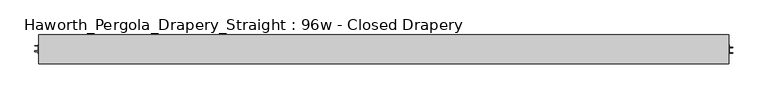
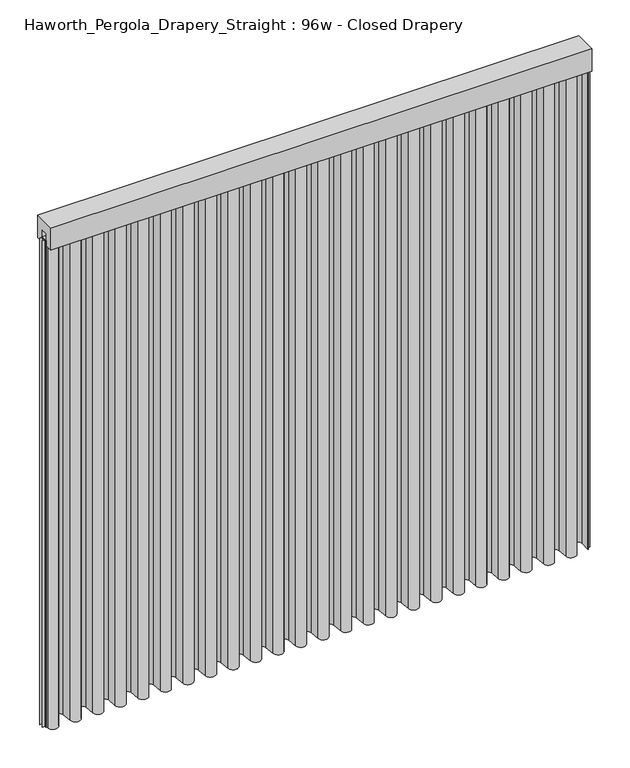
"""IFC4 building model written with IfcOpenShell, lengths in millimetres: furniture geometry, Haworth_Pergola_Drapery_Straight : 96w - Closed Drapery."""

import ifcopenshell
import ifcopenshell.guid

model = None  # the IFC model being written
_history = None  # IfcOwnerHistory: only IFC2X3 demands one
_inside = {}  # id of a spatial element -> (the spatial element, [elements in it])
_under = {}  # id of a project, library or spatial element -> (it, [spatial elements below it])
_declared = {}  # id of a project -> (the project, [libraries it declares])
_typed = {}  # id of a type object -> (the type object, [elements of that type])
_made_of = {}  # id of a material, layer set ... -> (it, [elements and type objects made of it])


def new_model(schema):
    """Start an empty IFC model of exactly this schema.

    Asked for "IFC4X3", IfcOpenShell would pick the latest addendum, in which some entities
    have other attributes; the version numbers below select the first issue.
    IFC2X3 requires an IfcOwnerHistory on every rooted entity: one is made here for all.
    """
    global model, _history
    if schema == "IFC4X3":
        model = ifcopenshell.file(schema_version=(4, 3, 0, 0))
    else:
        model = ifcopenshell.file(schema=schema)
    _inside.clear()
    _under.clear()
    _declared.clear()
    _typed.clear()
    _made_of.clear()
    _history = None
    if model.schema == "IFC2X3":
        org = make("IfcOrganization", Name="unknown")
        user = make(
            "IfcPersonAndOrganization",
            ThePerson=make("IfcPerson", FamilyName="unknown"),
            TheOrganization=org,
        )
        app = make(
            "IfcApplication",
            ApplicationDeveloper=org,
            Version="unknown",
            ApplicationFullName="unknown",
            ApplicationIdentifier="unknown",
        )
        _history = make(
            "IfcOwnerHistory",
            OwningUser=user,
            OwningApplication=app,
            ChangeAction="ADDED",
            CreationDate=0,
        )
    return model


def make(cls, **values):
    """One entity of the class cls with the attributes given. An attribute that is None is left unset."""
    return model.create_entity(
        cls, **{name: value for name, value in values.items() if value is not None}
    )


def rooted(cls, **values):
    """An entity with a GlobalId (a new one), such as an element, a storey or a relation."""
    return make(cls, GlobalId=ifcopenshell.guid.new(), OwnerHistory=_history, **values)


def si_unit(unit_type, name, prefix=None):
    """IfcSIUnit, for example si_unit("LENGTHUNIT", "METRE", prefix="MILLI")."""
    return make("IfcSIUnit", UnitType=unit_type, Prefix=prefix, Name=name)


def assignment(units):
    """IfcUnitAssignment: the units of a project."""
    return None if units is None else make("IfcUnitAssignment", Units=units)


def point(xyz):
    """IfcCartesianPoint."""
    return None if xyz is None else make("IfcCartesianPoint", Coordinates=xyz)


def direction(xyz):
    """IfcDirection."""
    return None if xyz is None else make("IfcDirection", DirectionRatios=xyz)


def frame(location, z_axis=None, x_axis=None):
    """IfcAxis2Placement3D, a coordinate frame: its origin and axes. An axis left out is left unset."""
    return make(
        "IfcAxis2Placement3D",
        Location=point(location),
        Axis=direction(z_axis),
        RefDirection=direction(x_axis),
    )


def frame_2d(location, x_axis=None):
    """IfcAxis2Placement2D, a coordinate frame in the plane: its origin and x axis."""
    return make(
        "IfcAxis2Placement2D", Location=point(location), RefDirection=direction(x_axis)
    )


def origin():
    """The frame at (0, 0, 0) with its axes left unset."""
    return frame((0.0, 0.0, 0.0))


def place(relative_to, where):
    """IfcLocalPlacement: puts the frame where relative to a parent placement (None: the world)."""
    return make(
        "IfcLocalPlacement", PlacementRelTo=relative_to, RelativePlacement=where
    )


def context(
    kind, dimensions, precision=None, world=None, true_north=None, identifier=None
):
    """IfcGeometricRepresentationContext, for example the 3D "Model" context."""
    return make(
        "IfcGeometricRepresentationContext",
        ContextIdentifier=identifier,
        ContextType=kind,
        CoordinateSpaceDimension=dimensions,
        Precision=precision,
        WorldCoordinateSystem=world,
        TrueNorth=true_north,
    )


def project(units=None, contexts=None):
    """IfcProject with its units and contexts."""
    return rooted(
        "IfcProject",
        Name="project",
        RepresentationContexts=contexts,
        UnitsInContext=assignment(units),
    )


def spatial(cls, under=None, at=None, **own):
    """A site, building, storey or space (cls), placed at a placement, below another one or the project."""
    s = rooted(cls, ObjectPlacement=at, **own)
    if under is not None:
        _under.setdefault(under.id(), (under, []))[1].append(s)
    return s


def polyline(points):
    """IfcPolyline through the points."""
    return make("IfcPolyline", Points=[point(p) for p in points])


def circle_curve(where, radius):
    """IfcCircle in the frame where."""
    return make("IfcCircle", Position=where, Radius=radius)


def trimmed(basis, trim1, trim2, sense, master):
    """IfcTrimmedCurve: the piece of a basis curve between two trims."""
    return make(
        "IfcTrimmedCurve",
        BasisCurve=basis,
        Trim1=trim1,
        Trim2=trim2,
        SenseAgreement=sense,
        MasterRepresentation=master,
    )


def segment(curve, same_sense, transition):
    """IfcCompositeCurveSegment."""
    return make(
        "IfcCompositeCurveSegment",
        Transition=transition,
        SameSense=same_sense,
        ParentCurve=curve,
    )


def composite_curve(segments, self_intersect=None):
    """IfcCompositeCurve: segments joined end to end."""
    return make("IfcCompositeCurve", Segments=segments, SelfIntersect=self_intersect)


def outline(outer, holes=None, kind="AREA"):
    """IfcArbitraryClosedProfileDef: a profile drawn as a closed curve; with holes, ...WithVoids."""
    if holes is None:
        return make("IfcArbitraryClosedProfileDef", ProfileType=kind, OuterCurve=outer)
    return make(
        "IfcArbitraryProfileDefWithVoids",
        ProfileType=kind,
        OuterCurve=outer,
        InnerCurves=holes,
    )


def extrude(swept, where, along, depth):
    """IfcExtrudedAreaSolid: the profile swept, set in the frame where, extruded along a direction by depth."""
    return make(
        "IfcExtrudedAreaSolid",
        SweptArea=swept,
        Position=where,
        ExtrudedDirection=direction(along),
        Depth=depth,
    )


def shape(context_of_items, identifier, shape_type, items):
    """IfcShapeRepresentation: the items that make up one representation, for example the "Body"."""
    return make(
        "IfcShapeRepresentation",
        ContextOfItems=context_of_items,
        RepresentationIdentifier=identifier,
        RepresentationType=shape_type,
        Items=items,
    )


def source(mapping_origin, context_of_items, identifier, shape_type, items):
    """IfcRepresentationMap: a shape defined once, which mapped items show again and again."""
    return make(
        "IfcRepresentationMap",
        MappingOrigin=mapping_origin,
        MappedRepresentation=shape(context_of_items, identifier, shape_type, items),
    )


def transform(
    local_origin,
    x_axis=None,
    y_axis=None,
    z_axis=None,
    scale=None,
    scale2=None,
    scale3=None,
    uniform=True,
):
    """IfcCartesianTransformationOperator3D, or its non-uniform kind. x_axis, y_axis, z_axis: its Axis1, 2, 3."""
    if uniform:
        return make(
            "IfcCartesianTransformationOperator3D",
            Axis1=direction(x_axis),
            Axis2=direction(y_axis),
            LocalOrigin=point(local_origin),
            Scale=scale,
            Axis3=direction(z_axis),
        )
    return make(
        "IfcCartesianTransformationOperator3DnonUniform",
        Axis1=direction(x_axis),
        Axis2=direction(y_axis),
        LocalOrigin=point(local_origin),
        Scale=scale,
        Axis3=direction(z_axis),
        Scale2=scale2,
        Scale3=scale3,
    )


def mapped(mapping_source, mapping_target):
    """IfcMappedItem: shows the shape of a source again, moved by a transform."""
    return make(
        "IfcMappedItem", MappingSource=mapping_source, MappingTarget=mapping_target
    )


def made_of(thing, what):
    """Note that an element or type object is made of a material, layer set ...; save() writes the relation."""
    if what is not None:
        _made_of.setdefault(what.id(), (what, []))[1].append(thing)
    return thing


def element(
    cls,
    number,
    at=None,
    inside=None,
    cuts=None,
    type_object=None,
    material=None,
    context=None,
    identifier="Body",
    shape_type=None,
    held_by="IfcProductDefinitionShape",
    body=None,
    shapes=None,
    **own,
):
    """One element of the class cls, such as IfcWall. Its Tag is "e" and its number.

    at: its placement. inside: the storey or other place that contains it. cuts: it is an
    opening in that element (IfcRelVoidsElement). A single representation is given by context,
    identifier, shape_type and body (its items); several are given by shapes. held_by: the class
    of the entity that holds the representations. save() writes the other relations.
    """
    e = rooted(cls, Tag="e%d" % number, ObjectPlacement=at, **own)
    if body is not None:
        shapes = [shape(context, identifier, shape_type, body)]
    if shapes is not None:
        e.Representation = make(held_by, Representations=shapes)
    if inside is not None:
        _inside.setdefault(inside.id(), (inside, []))[1].append(e)
    if cuts is not None:
        rooted(
            "IfcRelVoidsElement", RelatingBuildingElement=cuts, RelatedOpeningElement=e
        )
    if type_object is not None:
        _typed.setdefault(type_object.id(), (type_object, []))[1].append(e)
    return made_of(e, material)


def aggregate(whole, parts):
    """IfcRelAggregates: a whole, such as a stair, and the parts it consists of."""
    return rooted("IfcRelAggregates", RelatingObject=whole, RelatedObjects=parts)


def save(model, path):
    """Write the relations noted so far, then the file.

    IfcRelAggregates (storeys below a building ...), IfcRelContainedInSpatialStructure (elements
    in a storey), IfcRelDefinesByType, IfcRelAssociatesMaterial and IfcRelDeclares: one each for
    every whole, place, type object, material and project.
    """
    for whole, parts in _under.values():
        aggregate(whole, parts)
    for where, things in _inside.values():
        rooted(
            "IfcRelContainedInSpatialStructure",
            RelatedElements=things,
            RelatingStructure=where,
        )
    for kind, things in _typed.values():
        rooted("IfcRelDefinesByType", RelatedObjects=things, RelatingType=kind)
    for what, things in _made_of.values():
        rooted("IfcRelAssociatesMaterial", RelatedObjects=things, RelatingMaterial=what)
    for by, libraries in _declared.values():
        rooted("IfcRelDeclares", RelatingContext=by, RelatedDefinitions=libraries)
    model.write(path)


def haworth_pergola_drapery_straight_96w_closed_drapery_16b0ce58(model_context):
    return source(origin(), model_context, "Body", "SweptSolid", [
        extrude(outline(polyline([(-50.8, 2438.4), (50.8, 2438.4), (50.8, 2331.8390625), (15.2182948, 2331.8390625), (15.2182948, 2388.7001663), (-15.2182948, 2388.7001663), (-15.2182948, 2331.8390625), (-50.8, 2331.8390625), (-50.8, 2438.4)])), frame((-1790.7, 0.0, 0.0), z_axis=(1.0, 0.0, 0.0), x_axis=(0.0, 1.0, 0.0)), (0.0, 0.0, 1.0), 2438.4),
        extrude(outline(composite_curve([segment(polyline([(-1788.7, -20.9840165), (-1788.7, 25.4000008), (-1787.90625, 25.4000008), (-1787.90625, -20.9840165)]), True, "CONTINUOUS"), segment(trimmed(circle_curve(frame_2d((-1765.2970217, -20.9840165)), 22.6092283), [point((-1787.90625, -20.9840165))], [point((-1742.779759, -23.0211916))], True, "CARTESIAN"), True, "CONTINUOUS"), segment(polyline([(-1742.779759, -23.0211916), (-1738.5801015, 23.3983779)]), True, "CONTINUOUS"), segment(trimmed(circle_curve(frame_2d((-1714.5, 21.2198101)), 24.17845), [point((-1738.5801015, 23.3983779))], [point((-1690.4198983, 23.3983756))], False, "CARTESIAN"), True, "CONTINUOUS"), segment(polyline([(-1690.4198983, 23.3983756), (-1686.2298605, -22.9149155)]), True, "CONTINUOUS"), segment(trimmed(circle_curve(frame_2d((-1663.7000023, -20.876603)), 22.621875), [point((-1686.2298605, -22.9149155))], [point((-1641.1701443, -22.9149177))], True, "CARTESIAN"), True, "CONTINUOUS"), segment(polyline([(-1641.1701443, -22.9149177), (-1637.0109007, 23.0579488)]), True, "CONTINUOUS"), segment(trimmed(circle_curve(frame_2d((-1612.9, 20.8765946)), 24.209375), [point((-1637.0109007, 23.0579488))], [point((-1588.7890991, 23.0579465))], False, "CARTESIAN"), True, "CONTINUOUS"), segment(polyline([(-1588.7890991, 23.0579465), (-1584.6298605, -22.9149157)]), True, "CONTINUOUS"), segment(trimmed(circle_curve(frame_2d((-1562.1000023, -20.8766032)), 22.621875), [point((-1584.6298605, -22.9149157))], [point((-1539.5701443, -22.9149178))], True, "CARTESIAN"), True, "CONTINUOUS"), segment(polyline([(-1539.5701443, -22.9149178), (-1535.4109007, 23.0579492)]), True, "CONTINUOUS"), segment(trimmed(circle_curve(frame_2d((-1511.3, 20.876595)), 24.209375), [point((-1535.4109007, 23.0579492))], [point((-1487.1890991, 23.0579469))], False, "CARTESIAN"), True, "CONTINUOUS"), segment(polyline([(-1487.1890991, 23.0579469), (-1483.0298605, -22.9149155)]), True, "CONTINUOUS"), segment(trimmed(circle_curve(frame_2d((-1460.5000023, -20.876603)), 22.621875), [point((-1483.0298605, -22.9149155))], [point((-1437.9701443, -22.9149177))], True, "CARTESIAN"), True, "CONTINUOUS"), segment(polyline([(-1437.9701443, -22.9149177), (-1433.7801015, 23.3983779)]), True, "CONTINUOUS"), segment(trimmed(circle_curve(frame_2d((-1409.7, 21.2198101)), 24.17845), [point((-1433.7801015, 23.3983779))], [point((-1385.6198983, 23.3983756))], False, "CARTESIAN"), True, "CONTINUOUS"), segment(polyline([(-1385.6198983, 23.3983756), (-1381.4298605, -22.9149155)]), True, "CONTINUOUS"), segment(trimmed(circle_curve(frame_2d((-1358.9000023, -20.876603)), 22.621875), [point((-1381.4298605, -22.9149155))], [point((-1336.3701443, -22.9149177))], True, "CARTESIAN"), True, "CONTINUOUS"), segment(polyline([(-1336.3701443, -22.9149177), (-1332.1801015, 23.3983779)]), True, "CONTINUOUS"), segment(trimmed(circle_curve(frame_2d((-1308.1, 21.2198101)), 24.17845), [point((-1332.1801015, 23.3983779))], [point((-1284.0198983, 23.3983756))], False, "CARTESIAN"), True, "CONTINUOUS"), segment(polyline([(-1284.0198983, 23.3983756), (-1279.8298605, -22.9149155)]), True, "CONTINUOUS"), segment(trimmed(circle_curve(frame_2d((-1257.3000023, -20.876603)), 22.621875), [point((-1279.8298605, -22.9149155))], [point((-1234.7701443, -22.9149177))], True, "CARTESIAN"), True, "CONTINUOUS"), segment(polyline([(-1234.7701443, -22.9149177), (-1230.5801015, 23.3983779)]), True, "CONTINUOUS"), segment(trimmed(circle_curve(frame_2d((-1206.5, 21.2198101)), 24.17845), [point((-1230.5801015, 23.3983779))], [point((-1182.4198983, 23.3983756))], False, "CARTESIAN"), True, "CONTINUOUS"), segment(polyline([(-1182.4198983, 23.3983756), (-1178.2298605, -22.9149155)]), True, "CONTINUOUS"), segment(trimmed(circle_curve(frame_2d((-1155.7000023, -20.876603)), 22.621875), [point((-1178.2298605, -22.9149155))], [point((-1133.1701443, -22.9149177))], True, "CARTESIAN"), True, "CONTINUOUS"), segment(polyline([(-1133.1701443, -22.9149177), (-1128.9801015, 23.3983779)]), True, "CONTINUOUS"), segment(trimmed(circle_curve(frame_2d((-1104.9, 21.2198101)), 24.17845), [point((-1128.9801015, 23.3983779))], [point((-1080.8198983, 23.3983756))], False, "CARTESIAN"), True, "CONTINUOUS"), segment(polyline([(-1080.8198983, 23.3983756), (-1076.6298605, -22.9149155)]), True, "CONTINUOUS"), segment(trimmed(circle_curve(frame_2d((-1054.1000023, -20.876603)), 22.621875), [point((-1076.6298605, -22.9149155))], [point((-1031.5701443, -22.9149177))], True, "CARTESIAN"), True, "CONTINUOUS"), segment(polyline([(-1031.5701443, -22.9149177), (-1027.3801015, 23.3983779)]), True, "CONTINUOUS"), segment(trimmed(circle_curve(frame_2d((-1003.3, 21.2198101)), 24.17845), [point((-1027.3801015, 23.3983779))], [point((-979.2198983, 23.3983756))], False, "CARTESIAN"), True, "CONTINUOUS"), segment(polyline([(-979.2198983, 23.3983756), (-975.0298605, -22.9149155)]), True, "CONTINUOUS"), segment(trimmed(circle_curve(frame_2d((-952.5000023, -20.876603)), 22.621875), [point((-975.0298605, -22.9149155))], [point((-929.9701443, -22.9149177))], True, "CARTESIAN"), True, "CONTINUOUS"), segment(polyline([(-929.9701443, -22.9149177), (-925.7801015, 23.3983779)]), True, "CONTINUOUS"), segment(trimmed(circle_curve(frame_2d((-901.7, 21.2198101)), 24.17845), [point((-925.7801015, 23.3983779))], [point((-877.6198983, 23.3983756))], False, "CARTESIAN"), True, "CONTINUOUS"), segment(polyline([(-877.6198983, 23.3983756), (-873.4298605, -22.9149155)]), True, "CONTINUOUS"), segment(trimmed(circle_curve(frame_2d((-850.9000023, -20.876603)), 22.621875), [point((-873.4298605, -22.9149155))], [point((-828.3701443, -22.9149177))], True, "CARTESIAN"), True, "CONTINUOUS"), segment(polyline([(-828.3701443, -22.9149177), (-824.1801015, 23.3983779)]), True, "CONTINUOUS"), segment(trimmed(circle_curve(frame_2d((-800.1, 21.2198101)), 24.17845), [point((-824.1801015, 23.3983779))], [point((-776.0198983, 23.3983756))], False, "CARTESIAN"), True, "CONTINUOUS"), segment(polyline([(-776.0198983, 23.3983756), (-771.8298605, -22.9149155)]), True, "CONTINUOUS"), segment(trimmed(circle_curve(frame_2d((-749.3000023, -20.876603)), 22.621875), [point((-771.8298605, -22.9149155))], [point((-726.7701443, -22.9149177))], True, "CARTESIAN"), True, "CONTINUOUS"), segment(polyline([(-726.7701443, -22.9149177), (-722.5801015, 23.3983779)]), True, "CONTINUOUS"), segment(trimmed(circle_curve(frame_2d((-698.5, 21.2198101)), 24.17845), [point((-722.5801015, 23.3983779))], [point((-674.4198983, 23.3983756))], False, "CARTESIAN"), True, "CONTINUOUS"), segment(polyline([(-674.4198983, 23.3983756), (-670.2298605, -22.9149155)]), True, "CONTINUOUS"), segment(trimmed(circle_curve(frame_2d((-647.7000023, -20.876603)), 22.621875), [point((-670.2298605, -22.9149155))], [point((-625.1701443, -22.9149177))], True, "CARTESIAN"), True, "CONTINUOUS"), segment(polyline([(-625.1701443, -22.9149177), (-620.9801015, 23.3983779)]), True, "CONTINUOUS"), segment(trimmed(circle_curve(frame_2d((-596.9, 21.2198101)), 24.17845), [point((-620.9801015, 23.3983779))], [point((-572.8198983, 23.3983756))], False, "CARTESIAN"), True, "CONTINUOUS"), segment(polyline([(-572.8198983, 23.3983756), (-568.6298605, -22.9149155)]), True, "CONTINUOUS"), segment(trimmed(circle_curve(frame_2d((-546.1000023, -20.876603)), 22.621875), [point((-568.6298605, -22.9149155))], [point((-523.5701443, -22.9149177))], True, "CARTESIAN"), True, "CONTINUOUS"), segment(polyline([(-523.5701443, -22.9149177), (-519.3801015, 23.3983779)]), True, "CONTINUOUS"), segment(trimmed(circle_curve(frame_2d((-495.3, 21.2198101)), 24.17845), [point((-519.3801015, 23.3983779))], [point((-471.2198983, 23.3983756))], False, "CARTESIAN"), True, "CONTINUOUS"), segment(polyline([(-471.2198983, 23.3983756), (-467.0298605, -22.9149155)]), True, "CONTINUOUS"), segment(trimmed(circle_curve(frame_2d((-444.5000023, -20.876603)), 22.621875), [point((-467.0298605, -22.9149155))], [point((-421.9701443, -22.9149177))], True, "CARTESIAN"), True, "CONTINUOUS"), segment(polyline([(-421.9701443, -22.9149177), (-417.7801015, 23.3983779)]), True, "CONTINUOUS"), segment(trimmed(circle_curve(frame_2d((-393.7, 21.2198101)), 24.17845), [point((-417.7801015, 23.3983779))], [point((-369.6198983, 23.3983756))], False, "CARTESIAN"), True, "CONTINUOUS"), segment(polyline([(-369.6198983, 23.3983756), (-365.4298605, -22.9149155)]), True, "CONTINUOUS"), segment(trimmed(circle_curve(frame_2d((-342.9000023, -20.876603)), 22.621875), [point((-365.4298605, -22.9149155))], [point((-320.3701443, -22.9149177))], True, "CARTESIAN"), True, "CONTINUOUS"), segment(polyline([(-320.3701443, -22.9149177), (-316.2109202, 23.0577332)]), True, "CONTINUOUS"), segment(trimmed(circle_curve(frame_2d((-292.1000195, 20.8763789)), 24.209375), [point((-316.2109202, 23.0577332))], [point((-267.9891225, 23.057773))], False, "CARTESIAN"), True, "CONTINUOUS"), segment(polyline([(-267.9891225, 23.057773), (-263.8298359, -22.9147223)]), True, "CONTINUOUS"), segment(trimmed(circle_curve(frame_2d((-241.2999812, -20.8763704)), 22.621875), [point((-263.8298359, -22.9147223))], [point((-218.7701232, -22.9146851))], True, "CARTESIAN"), True, "CONTINUOUS"), segment(polyline([(-218.7701232, -22.9146851), (-214.6109202, 23.0577332)]), True, "CONTINUOUS"), segment(trimmed(circle_curve(frame_2d((-190.5000195, 20.8763789)), 24.209375), [point((-214.6109202, 23.0577332))], [point((-166.3891225, 23.057773))], False, "CARTESIAN"), True, "CONTINUOUS"), segment(polyline([(-166.3891225, 23.057773), (-162.2298359, -22.9147223)]), True, "CONTINUOUS"), segment(trimmed(circle_curve(frame_2d((-139.6999812, -20.8763704)), 22.621875), [point((-162.2298359, -22.9147223))], [point((-117.1701232, -22.9146851))], True, "CARTESIAN"), True, "CONTINUOUS"), segment(polyline([(-117.1701232, -22.9146851), (-113.0109202, 23.0577332)]), True, "CONTINUOUS"), segment(trimmed(circle_curve(frame_2d((-88.9000195, 20.8763789)), 24.209375), [point((-113.0109202, 23.0577332))], [point((-64.7891225, 23.057773))], False, "CARTESIAN"), True, "CONTINUOUS"), segment(polyline([(-64.7891225, 23.057773), (-60.6298359, -22.9147223)]), True, "CONTINUOUS"), segment(trimmed(circle_curve(frame_2d((-38.0999812, -20.8763704)), 22.621875), [point((-60.6298359, -22.9147223))], [point((-15.5701232, -22.9146851))], True, "CARTESIAN"), True, "CONTINUOUS"), segment(polyline([(-15.5701232, -22.9146851), (-11.4109202, 23.0577332)]), True, "CONTINUOUS"), segment(trimmed(circle_curve(frame_2d((12.6999805, 20.8763789)), 24.209375), [point((-11.4109202, 23.0577332))], [point((36.8108775, 23.057773))], False, "CARTESIAN"), True, "CONTINUOUS"), segment(polyline([(36.8108775, 23.057773), (40.9701641, -22.9147223)]), True, "CONTINUOUS"), segment(trimmed(circle_curve(frame_2d((63.5000188, -20.8763704)), 22.621875), [point((40.9701641, -22.9147223))], [point((86.0298768, -22.9146851))], True, "CARTESIAN"), True, "CONTINUOUS"), segment(polyline([(86.0298768, -22.9146851), (90.1890798, 23.0577332)]), True, "CONTINUOUS"), segment(trimmed(circle_curve(frame_2d((114.2999805, 20.8763789)), 24.209375), [point((90.1890798, 23.0577332))], [point((138.4108775, 23.057773))], False, "CARTESIAN"), True, "CONTINUOUS"), segment(polyline([(138.4108775, 23.057773), (142.5701641, -22.9147223)]), True, "CONTINUOUS"), segment(trimmed(circle_curve(frame_2d((165.1000188, -20.8763704)), 22.621875), [point((142.5701641, -22.9147223))], [point((187.6298768, -22.9146851))], True, "CARTESIAN"), True, "CONTINUOUS"), segment(polyline([(187.6298768, -22.9146851), (191.7890798, 23.0577332)]), True, "CONTINUOUS"), segment(trimmed(circle_curve(frame_2d((215.8999805, 20.8763789)), 24.209375), [point((191.7890798, 23.0577332))], [point((240.0108775, 23.057773))], False, "CARTESIAN"), True, "CONTINUOUS"), segment(polyline([(240.0108775, 23.057773), (244.1701641, -22.9147223)]), True, "CONTINUOUS"), segment(trimmed(circle_curve(frame_2d((266.7000188, -20.8763704)), 22.621875), [point((244.1701641, -22.9147223))], [point((289.2298768, -22.9146851))], True, "CARTESIAN"), True, "CONTINUOUS"), segment(polyline([(289.2298768, -22.9146851), (293.3890798, 23.0577332)]), True, "CONTINUOUS"), segment(trimmed(circle_curve(frame_2d((317.4999805, 20.8763789)), 24.209375), [point((293.3890798, 23.0577332))], [point((341.6108775, 23.057773))], False, "CARTESIAN"), True, "CONTINUOUS"), segment(polyline([(341.6108775, 23.057773), (345.7701641, -22.9147223)]), True, "CONTINUOUS"), segment(trimmed(circle_curve(frame_2d((368.3000188, -20.8763704)), 22.621875), [point((345.7701641, -22.9147223))], [point((390.8298768, -22.9146851))], True, "CARTESIAN"), True, "CONTINUOUS"), segment(polyline([(390.8298768, -22.9146851), (394.9890798, 23.0577332)]), True, "CONTINUOUS"), segment(trimmed(circle_curve(frame_2d((419.0999805, 20.8763789)), 24.209375), [point((394.9890798, 23.0577332))], [point((443.2108775, 23.057773))], False, "CARTESIAN"), True, "CONTINUOUS"), segment(polyline([(443.2108775, 23.057773), (447.3701641, -22.9147223)]), True, "CONTINUOUS"), segment(trimmed(circle_curve(frame_2d((469.9000188, -20.8763704)), 22.621875), [point((447.3701641, -22.9147223))], [point((492.4298768, -22.9146851))], True, "CARTESIAN"), True, "CONTINUOUS"), segment(polyline([(492.4298768, -22.9146851), (496.5890798, 23.0577332)]), True, "CONTINUOUS"), segment(trimmed(circle_curve(frame_2d((520.6999805, 20.8763789)), 24.209375), [point((496.5890798, 23.0577332))], [point((544.8108775, 23.057773))], False, "CARTESIAN"), True, "CONTINUOUS"), segment(polyline([(544.8108775, 23.057773), (548.9701693, -22.9147795)]), True, "CONTINUOUS"), segment(trimmed(circle_curve(frame_2d((571.500024, -20.8764276)), 22.621875), [point((548.9701693, -22.9147795))], [point((594.0298849, -22.9147094))], True, "CARTESIAN"), True, "CONTINUOUS"), segment(polyline([(594.0298849, -22.9147094), (598.2093899, 23.2828614)]), True, "CONTINUOUS"), segment(trimmed(circle_curve(frame_2d((622.2548575, 21.1074623)), 24.1436715), [point((598.2093899, 23.2828614))], [point((646.3985291, 21.1074623))], False, "CARTESIAN"), True, "CONTINUOUS"), segment(polyline([(646.3985291, 21.1074623), (646.3985291, -25.4000007), (645.6047791, -25.4000007), (645.6047791, 21.1074623)]), True, "CONTINUOUS"), segment(trimmed(circle_curve(frame_2d((622.2548575, 21.1074623)), 23.3499215), [point((645.6047791, 21.1074623))], [point((598.9999113, 23.2113427))], True, "CARTESIAN"), True, "CONTINUOUS"), segment(polyline([(598.9999113, 23.2113427), (594.8204064, -22.986228)]), True, "CONTINUOUS"), segment(trimmed(circle_curve(frame_2d((571.500024, -20.8764276)), 23.415625), [point((594.8204064, -22.986228))], [point((548.1796481, -22.9863006))], False, "CARTESIAN"), True, "CONTINUOUS"), segment(polyline([(548.1796481, -22.9863006), (544.0203563, 22.9862519)]), True, "CONTINUOUS"), segment(trimmed(circle_curve(frame_2d((520.6999805, 20.8763789)), 23.415625), [point((544.0203563, 22.9862519))], [point((497.3796011, 22.9862134))], True, "CARTESIAN"), True, "CONTINUOUS"), segment(polyline([(497.3796011, 22.9862134), (493.2203981, -22.9862049)]), True, "CONTINUOUS"), segment(trimmed(circle_curve(frame_2d((469.9000188, -20.8763704)), 23.415625), [point((493.2203981, -22.9862049))], [point((446.5796429, -22.9862435))], False, "CARTESIAN"), True, "CONTINUOUS"), segment(polyline([(446.5796429, -22.9862435), (442.4203563, 22.9862519)]), True, "CONTINUOUS"), segment(trimmed(circle_curve(frame_2d((419.0999805, 20.8763789)), 23.415625), [point((442.4203563, 22.9862519))], [point((395.7796011, 22.9862134))], True, "CARTESIAN"), True, "CONTINUOUS"), segment(polyline([(395.7796011, 22.9862134), (391.6203981, -22.9862049)]), True, "CONTINUOUS"), segment(trimmed(circle_curve(frame_2d((368.3000188, -20.8763704)), 23.415625), [point((391.6203981, -22.9862049))], [point((344.9796429, -22.9862435))], False, "CARTESIAN"), True, "CONTINUOUS"), segment(polyline([(344.9796429, -22.9862435), (340.8203563, 22.9862519)]), True, "CONTINUOUS"), segment(trimmed(circle_curve(frame_2d((317.4999805, 20.8763789)), 23.415625), [point((340.8203563, 22.9862519))], [point((294.1796011, 22.9862134))], True, "CARTESIAN"), True, "CONTINUOUS"), segment(polyline([(294.1796011, 22.9862134), (290.0203981, -22.9862049)]), True, "CONTINUOUS"), segment(trimmed(circle_curve(frame_2d((266.7000188, -20.8763704)), 23.415625), [point((290.0203981, -22.9862049))], [point((243.3796429, -22.9862435))], False, "CARTESIAN"), True, "CONTINUOUS"), segment(polyline([(243.3796429, -22.9862435), (239.2203563, 22.9862519)]), True, "CONTINUOUS"), segment(trimmed(circle_curve(frame_2d((215.8999805, 20.8763789)), 23.415625), [point((239.2203563, 22.9862519))], [point((192.5796011, 22.9862134))], True, "CARTESIAN"), True, "CONTINUOUS"), segment(polyline([(192.5796011, 22.9862134), (188.4203981, -22.9862049)]), True, "CONTINUOUS"), segment(trimmed(circle_curve(frame_2d((165.1000188, -20.8763704)), 23.415625), [point((188.4203981, -22.9862049))], [point((141.7796429, -22.9862435))], False, "CARTESIAN"), True, "CONTINUOUS"), segment(polyline([(141.7796429, -22.9862435), (137.6203563, 22.9862519)]), True, "CONTINUOUS"), segment(trimmed(circle_curve(frame_2d((114.2999805, 20.8763789)), 23.415625), [point((137.6203563, 22.9862519))], [point((90.9796011, 22.9862134))], True, "CARTESIAN"), True, "CONTINUOUS"), segment(polyline([(90.9796011, 22.9862134), (86.8203981, -22.9862049)]), True, "CONTINUOUS"), segment(trimmed(circle_curve(frame_2d((63.5000188, -20.8763704)), 23.415625), [point((86.8203981, -22.9862049))], [point((40.1796429, -22.9862435))], False, "CARTESIAN"), True, "CONTINUOUS"), segment(polyline([(40.1796429, -22.9862435), (36.0203563, 22.9862519)]), True, "CONTINUOUS"), segment(trimmed(circle_curve(frame_2d((12.6999805, 20.8763789)), 23.415625), [point((36.0203563, 22.9862519))], [point((-10.6203989, 22.9862134))], True, "CARTESIAN"), True, "CONTINUOUS"), segment(polyline([(-10.6203989, 22.9862134), (-14.7796019, -22.9862049)]), True, "CONTINUOUS"), segment(trimmed(circle_curve(frame_2d((-38.0999812, -20.8763704)), 23.415625), [point((-14.7796019, -22.9862049))], [point((-61.4203571, -22.9862435))], False, "CARTESIAN"), True, "CONTINUOUS"), segment(polyline([(-61.4203571, -22.9862435), (-65.5796437, 22.9862519)]), True, "CONTINUOUS"), segment(trimmed(circle_curve(frame_2d((-88.9000195, 20.8763789)), 23.415625), [point((-65.5796437, 22.9862519))], [point((-112.2203989, 22.9862134))], True, "CARTESIAN"), True, "CONTINUOUS"), segment(polyline([(-112.2203989, 22.9862134), (-116.3796019, -22.9862049)]), True, "CONTINUOUS"), segment(trimmed(circle_curve(frame_2d((-139.6999812, -20.8763704)), 23.415625), [point((-116.3796019, -22.9862049))], [point((-163.0203571, -22.9862435))], False, "CARTESIAN"), True, "CONTINUOUS"), segment(polyline([(-163.0203571, -22.9862435), (-167.1796437, 22.9862519)]), True, "CONTINUOUS"), segment(trimmed(circle_curve(frame_2d((-190.5000195, 20.8763789)), 23.415625), [point((-167.1796437, 22.9862519))], [point((-213.8203989, 22.9862134))], True, "CARTESIAN"), True, "CONTINUOUS"), segment(polyline([(-213.8203989, 22.9862134), (-217.9796019, -22.9862049)]), True, "CONTINUOUS"), segment(trimmed(circle_curve(frame_2d((-241.2999812, -20.8763704)), 23.415625), [point((-217.9796019, -22.9862049))], [point((-264.6203571, -22.9862435))], False, "CARTESIAN"), True, "CONTINUOUS"), segment(polyline([(-264.6203571, -22.9862435), (-268.7796437, 22.9862519)]), True, "CONTINUOUS"), segment(trimmed(circle_curve(frame_2d((-292.1000195, 20.8763789)), 23.415625), [point((-268.7796437, 22.9862519))], [point((-315.4203989, 22.9862134))], True, "CARTESIAN"), True, "CONTINUOUS"), segment(polyline([(-315.4203989, 22.9862134), (-319.5796229, -22.9864375)]), True, "CONTINUOUS"), segment(trimmed(circle_curve(frame_2d((-342.9000023, -20.876603)), 23.415625), [point((-319.5796229, -22.9864375))], [point((-366.2203818, -22.9864352))], False, "CARTESIAN"), True, "CONTINUOUS"), segment(polyline([(-366.2203818, -22.9864352), (-370.4104196, 23.3268558)]), True, "CONTINUOUS"), segment(trimmed(circle_curve(frame_2d((-393.7, 21.2198101)), 23.3847), [point((-370.4104196, 23.3268558))], [point((-416.9895802, 23.3268581))], True, "CARTESIAN"), True, "CONTINUOUS"), segment(polyline([(-416.9895802, 23.3268581), (-421.1796229, -22.9864375)]), True, "CONTINUOUS"), segment(trimmed(circle_curve(frame_2d((-444.5000023, -20.876603)), 23.415625), [point((-421.1796229, -22.9864375))], [point((-467.8203818, -22.9864352))], False, "CARTESIAN"), True, "CONTINUOUS"), segment(polyline([(-467.8203818, -22.9864352), (-472.0104196, 23.3268558)]), True, "CONTINUOUS"), segment(trimmed(circle_curve(frame_2d((-495.3, 21.2198101)), 23.3847), [point((-472.0104196, 23.3268558))], [point((-518.5895802, 23.3268581))], True, "CARTESIAN"), True, "CONTINUOUS"), segment(polyline([(-518.5895802, 23.3268581), (-522.7796229, -22.9864375)]), True, "CONTINUOUS"), segment(trimmed(circle_curve(frame_2d((-546.1000023, -20.876603)), 23.415625), [point((-522.7796229, -22.9864375))], [point((-569.4203818, -22.9864352))], False, "CARTESIAN"), True, "CONTINUOUS"), segment(polyline([(-569.4203818, -22.9864352), (-573.6104196, 23.3268558)]), True, "CONTINUOUS"), segment(trimmed(circle_curve(frame_2d((-596.9, 21.2198101)), 23.3847), [point((-573.6104196, 23.3268558))], [point((-620.1895802, 23.3268581))], True, "CARTESIAN"), True, "CONTINUOUS"), segment(polyline([(-620.1895802, 23.3268581), (-624.3796229, -22.9864375)]), True, "CONTINUOUS"), segment(trimmed(circle_curve(frame_2d((-647.7000023, -20.876603)), 23.415625), [point((-624.3796229, -22.9864375))], [point((-671.0203818, -22.9864352))], False, "CARTESIAN"), True, "CONTINUOUS"), segment(polyline([(-671.0203818, -22.9864352), (-675.2104196, 23.3268558)]), True, "CONTINUOUS"), segment(trimmed(circle_curve(frame_2d((-698.5, 21.2198101)), 23.3847), [point((-675.2104196, 23.3268558))], [point((-721.7895802, 23.3268581))], True, "CARTESIAN"), True, "CONTINUOUS"), segment(polyline([(-721.7895802, 23.3268581), (-725.9796229, -22.9864375)]), True, "CONTINUOUS"), segment(trimmed(circle_curve(frame_2d((-749.3000023, -20.876603)), 23.415625), [point((-725.9796229, -22.9864375))], [point((-772.6203818, -22.9864352))], False, "CARTESIAN"), True, "CONTINUOUS"), segment(polyline([(-772.6203818, -22.9864352), (-776.8104196, 23.3268558)]), True, "CONTINUOUS"), segment(trimmed(circle_curve(frame_2d((-800.1, 21.2198101)), 23.3847), [point((-776.8104196, 23.3268558))], [point((-823.3895802, 23.3268581))], True, "CARTESIAN"), True, "CONTINUOUS"), segment(polyline([(-823.3895802, 23.3268581), (-827.5796229, -22.9864375)]), True, "CONTINUOUS"), segment(trimmed(circle_curve(frame_2d((-850.9000023, -20.876603)), 23.415625), [point((-827.5796229, -22.9864375))], [point((-874.2203818, -22.9864352))], False, "CARTESIAN"), True, "CONTINUOUS"), segment(polyline([(-874.2203818, -22.9864352), (-878.4104196, 23.3268558)]), True, "CONTINUOUS"), segment(trimmed(circle_curve(frame_2d((-901.7, 21.2198101)), 23.3847), [point((-878.4104196, 23.3268558))], [point((-924.9895802, 23.3268581))], True, "CARTESIAN"), True, "CONTINUOUS"), segment(polyline([(-924.9895802, 23.3268581), (-929.1796229, -22.9864375)]), True, "CONTINUOUS"), segment(trimmed(circle_curve(frame_2d((-952.5000023, -20.876603)), 23.415625), [point((-929.1796229, -22.9864375))], [point((-975.8203818, -22.9864352))], False, "CARTESIAN"), True, "CONTINUOUS"), segment(polyline([(-975.8203818, -22.9864352), (-980.0104196, 23.3268558)]), True, "CONTINUOUS"), segment(trimmed(circle_curve(frame_2d((-1003.3, 21.2198101)), 23.3847), [point((-980.0104196, 23.3268558))], [point((-1026.5895802, 23.3268581))], True, "CARTESIAN"), True, "CONTINUOUS"), segment(polyline([(-1026.5895802, 23.3268581), (-1030.7796229, -22.9864375)]), True, "CONTINUOUS"), segment(trimmed(circle_curve(frame_2d((-1054.1000023, -20.876603)), 23.415625), [point((-1030.7796229, -22.9864375))], [point((-1077.4203818, -22.9864352))], False, "CARTESIAN"), True, "CONTINUOUS"), segment(polyline([(-1077.4203818, -22.9864352), (-1081.6104196, 23.3268558)]), True, "CONTINUOUS"), segment(trimmed(circle_curve(frame_2d((-1104.9, 21.2198101)), 23.3847), [point((-1081.6104196, 23.3268558))], [point((-1128.1895802, 23.3268581))], True, "CARTESIAN"), True, "CONTINUOUS"), segment(polyline([(-1128.1895802, 23.3268581), (-1132.3796229, -22.9864375)]), True, "CONTINUOUS"), segment(trimmed(circle_curve(frame_2d((-1155.7000023, -20.876603)), 23.415625), [point((-1132.3796229, -22.9864375))], [point((-1179.0203818, -22.9864352))], False, "CARTESIAN"), True, "CONTINUOUS"), segment(polyline([(-1179.0203818, -22.9864352), (-1183.2104196, 23.3268558)]), True, "CONTINUOUS"), segment(trimmed(circle_curve(frame_2d((-1206.5, 21.2198101)), 23.3847), [point((-1183.2104196, 23.3268558))], [point((-1229.7895802, 23.3268581))], True, "CARTESIAN"), True, "CONTINUOUS"), segment(polyline([(-1229.7895802, 23.3268581), (-1233.9796229, -22.9864375)]), True, "CONTINUOUS"), segment(trimmed(circle_curve(frame_2d((-1257.3000023, -20.876603)), 23.415625), [point((-1233.9796229, -22.9864375))], [point((-1280.6203818, -22.9864352))], False, "CARTESIAN"), True, "CONTINUOUS"), segment(polyline([(-1280.6203818, -22.9864352), (-1284.8104196, 23.3268558)]), True, "CONTINUOUS"), segment(trimmed(circle_curve(frame_2d((-1308.1, 21.2198101)), 23.3847), [point((-1284.8104196, 23.3268558))], [point((-1331.3895802, 23.3268581))], True, "CARTESIAN"), True, "CONTINUOUS"), segment(polyline([(-1331.3895802, 23.3268581), (-1335.5796229, -22.9864375)]), True, "CONTINUOUS"), segment(trimmed(circle_curve(frame_2d((-1358.9000023, -20.876603)), 23.415625), [point((-1335.5796229, -22.9864375))], [point((-1382.2203818, -22.9864352))], False, "CARTESIAN"), True, "CONTINUOUS"), segment(polyline([(-1382.2203818, -22.9864352), (-1386.4104196, 23.3268558)]), True, "CONTINUOUS"), segment(trimmed(circle_curve(frame_2d((-1409.7, 21.2198101)), 23.3847), [point((-1386.4104196, 23.3268558))], [point((-1432.9895802, 23.3268581))], True, "CARTESIAN"), True, "CONTINUOUS"), segment(polyline([(-1432.9895802, 23.3268581), (-1437.1796229, -22.9864375)]), True, "CONTINUOUS"), segment(trimmed(circle_curve(frame_2d((-1460.5000023, -20.876603)), 23.415625), [point((-1437.1796229, -22.9864375))], [point((-1483.8203818, -22.9864352))], False, "CARTESIAN"), True, "CONTINUOUS"), segment(polyline([(-1483.8203818, -22.9864352), (-1487.9796205, 22.9864271)]), True, "CONTINUOUS"), segment(trimmed(circle_curve(frame_2d((-1511.3, 20.876595)), 23.415625), [point((-1487.9796205, 22.9864271))], [point((-1534.6203794, 22.9864294))], True, "CARTESIAN"), True, "CONTINUOUS"), segment(polyline([(-1534.6203794, 22.9864294), (-1538.7796229, -22.9864377)]), True, "CONTINUOUS"), segment(trimmed(circle_curve(frame_2d((-1562.1000023, -20.8766032)), 23.415625), [point((-1538.7796229, -22.9864377))], [point((-1585.4203818, -22.9864354))], False, "CARTESIAN"), True, "CONTINUOUS"), segment(polyline([(-1585.4203818, -22.9864354), (-1589.5796205, 22.9864268)]), True, "CONTINUOUS"), segment(trimmed(circle_curve(frame_2d((-1612.9, 20.8765946)), 23.415625), [point((-1589.5796205, 22.9864268))], [point((-1636.2203794, 22.986429))], True, "CARTESIAN"), True, "CONTINUOUS"), segment(polyline([(-1636.2203794, 22.986429), (-1640.3796229, -22.9864375)]), True, "CONTINUOUS"), segment(trimmed(circle_curve(frame_2d((-1663.7000023, -20.876603)), 23.415625), [point((-1640.3796229, -22.9864375))], [point((-1687.0203818, -22.9864352))], False, "CARTESIAN"), True, "CONTINUOUS"), segment(polyline([(-1687.0203818, -22.9864352), (-1691.2104196, 23.3268558)]), True, "CONTINUOUS"), segment(trimmed(circle_curve(frame_2d((-1714.5, 21.2198101)), 23.3847), [point((-1691.2104196, 23.3268558))], [point((-1737.7895802, 23.3268581))], True, "CARTESIAN"), True, "CONTINUOUS"), segment(polyline([(-1737.7895802, 23.3268581), (-1741.9892377, -23.0927114)]), True, "CONTINUOUS"), segment(trimmed(circle_curve(frame_2d((-1765.2970217, -20.9840165)), 23.4029783), [point((-1741.9892377, -23.0927114))], [point((-1788.7, -20.9840165))], False, "CARTESIAN"), True, "CONTINUOUS")], self_intersect=False)), frame((0.0, 0.0, 38.1), z_axis=(0.0, 0.0, 1.0), x_axis=(1.0, 0.0, 0.0)), (0.0, 0.0, 1.0), 2305.05),
        extrude(outline(polyline([(-1790.7, -15.2249995), (-1790.7, 15.2249996), (647.7, 15.2249996), (647.7, -15.2249995), (-1790.7, -15.2249995)])), frame((0.0, 0.0, 2355.85), z_axis=(0.0, 0.0, 1.0), x_axis=(1.0, 0.0, 0.0)), (0.0, 0.0, 1.0), 1.7500385),
        extrude(outline(polyline([(647.7, -15.2249996), (647.7, 15.2249995), (649.4500001, 15.2249995), (649.4500001, 7.8249998), (661.0999997, 7.8249998), (661.0999997, 4.8250001), (649.4500001, 4.8250001), (649.4500001, -11.8250005), (660.9499997, -11.8250005), (660.9499997, -13.3999997), (649.4500001, -13.3999997), (649.4500001, -15.2249996), (647.7, -15.2249996)])), frame((0.0, 0.0, 38.1), z_axis=(0.0, 0.0, 1.0), x_axis=(1.0, 0.0, 0.0)), (0.0, 0.0, 1.0), 2317.75),
        extrude(outline(polyline([(-1790.7, 15.2249996), (-1790.7, -15.2249995), (-1792.4500001, -15.2249995), (-1792.4500001, -7.8249998), (-1804.0999997, -7.8249998), (-1804.0999997, -4.8250001), (-1792.4500001, -4.8250001), (-1792.4500001, 11.8250005), (-1803.9499997, 11.8250005), (-1803.9499997, 13.3999997), (-1792.4500001, 13.3999997), (-1792.4500001, 15.2249996), (-1790.7, 15.2249996)])), frame((0.0, 0.0, 38.1), z_axis=(0.0, 0.0, 1.0), x_axis=(1.0, 0.0, 0.0)), (0.0, 0.0, 1.0), 2317.75),
        extrude(outline(composite_curve([segment(trimmed(circle_curve(frame_2d((-571.5, 0.0)), 6.0), [point((-577.5, 0.0))], [point((-565.5, 0.0))], False, "CARTESIAN"), True, "CONTINUOUS"), segment(trimmed(circle_curve(frame_2d((-571.5, 0.0)), 6.0), [point((-565.5, 0.0))], [point((-577.5, 0.0))], False, "CARTESIAN"), True, "CONTINUOUS")], self_intersect=False)), frame((0.0, 0.0, 2319.1390625), z_axis=(0.0, 0.0, 1.0), x_axis=(1.0, 0.0, 0.0)), (0.0, 0.0, 1.0), 36.7109375),
    ])


if __name__ == "__main__":
    model = new_model("IFC4")
    model_context = context("Model", 3, world=origin())
    ifc_project = project(units=[si_unit("LENGTHUNIT", "METRE", prefix="MILLI")], contexts=[model_context])
    site = spatial("IfcSite", under=ifc_project)
    building = spatial("IfcBuilding", under=site)
    placement = place(None, origin())
    haworth_pergola_drapery_straight_96w_closed_drapery_shape = haworth_pergola_drapery_straight_96w_closed_drapery_16b0ce58(model_context)
    element("IfcFurniture", 1, ObjectType="Haworth_Pergola_Drapery_Straight : 96w - Closed Drapery", at=placement, inside=building, context=model_context, shape_type="MappedRepresentation", body=[
        mapped(haworth_pergola_drapery_straight_96w_closed_drapery_shape, transform((0.0, 0.0, 0.0), x_axis=(1.0, 0.0, 0.0), y_axis=(0.0, 1.0, 0.0), z_axis=(0.0, 0.0, 1.0))),
    ])
    save(model, "model.ifc")
